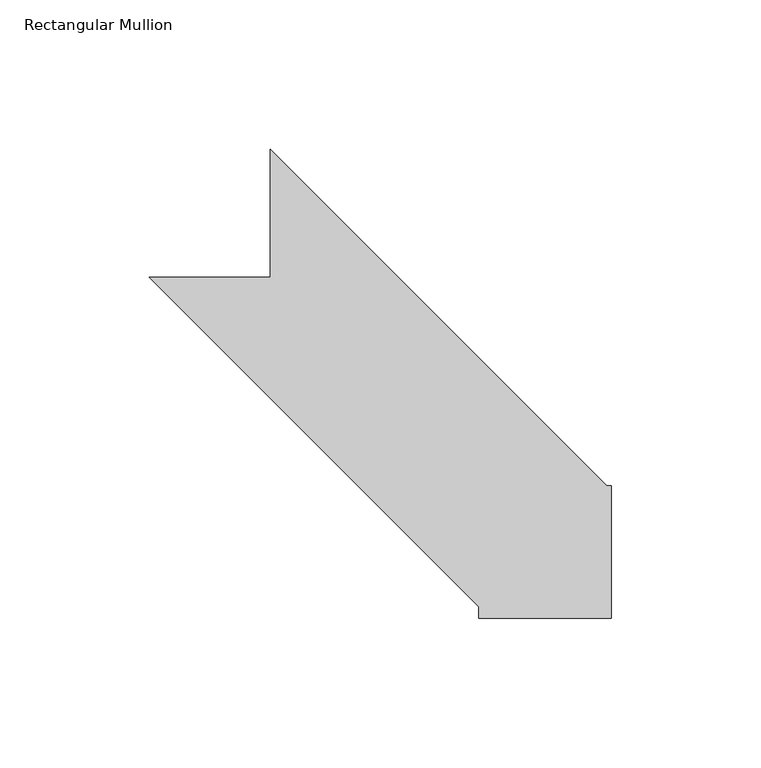
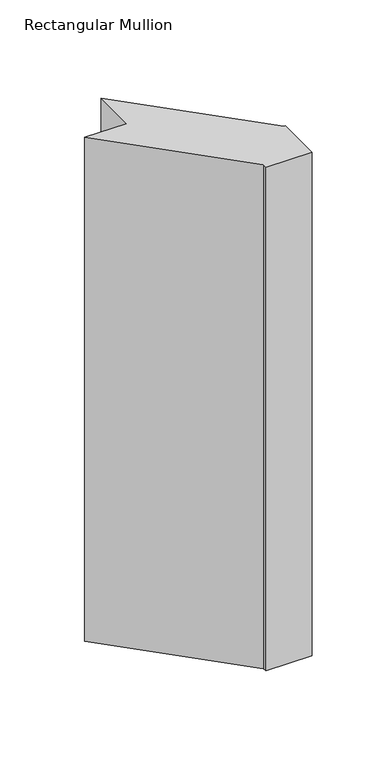
"""IFC4 building model written with IfcOpenShell, lengths in millimetres: member geometry, Rectangular Mullion."""

from ifc_helpers import new_model, si_unit, frame, origin, place, context, project, spatial, polyline, outline, extrude, source, transform, mapped, element, save


def rectangular_mullion_9cf7beb9(model_context):
    return source(origin(), model_context, "Body", "SweptSolid", [
        extrude(outline(polyline([(-57.15, 12.7), (-57.15, 16.6346177), (-167.5153823, 127.0), (-127.0099007, 127.0), (-127.0099007, 169.8618522), (-14.2980485, 57.15), (-12.7, 57.15), (-12.7, 12.7), (-57.15, 12.7)])), frame((0.0, 0.0, -517.525), z_axis=(0.0, 0.0, 1.0), x_axis=(1.0, 0.0, 0.0)), (0.0, 0.0, 1.0), 517.525),
    ])


if __name__ == "__main__":
    model = new_model("IFC4")
    model_context = context("Model", 3, world=origin())
    ifc_project = project(units=[si_unit("LENGTHUNIT", "METRE", prefix="MILLI")], contexts=[model_context])
    site = spatial("IfcSite", under=ifc_project)
    building = spatial("IfcBuilding", under=site)
    placement = place(None, origin())
    rectangular_mullion_shape = rectangular_mullion_9cf7beb9(model_context)
    element("IfcMember", 1, ObjectType="Rectangular Mullion", at=placement, inside=building, context=model_context, shape_type="MappedRepresentation", body=[
        mapped(rectangular_mullion_shape, transform((0.0, 0.0, 0.0), x_axis=(1.0, 0.0, 0.0), y_axis=(0.0, 1.0, 0.0), z_axis=(0.0, 0.0, 1.0))),
    ])
    save(model, "model.ifc")
